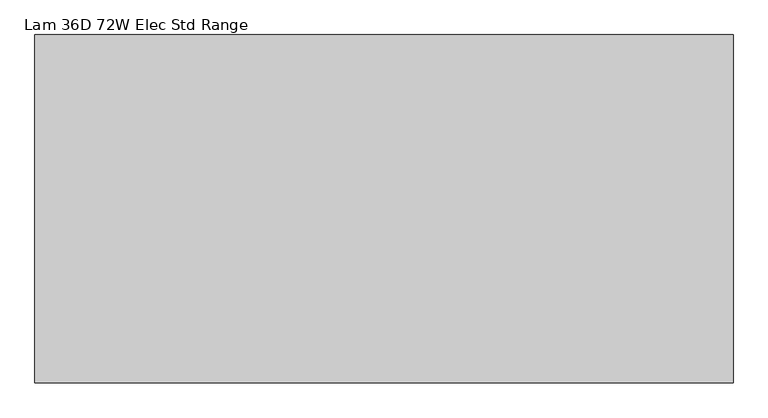
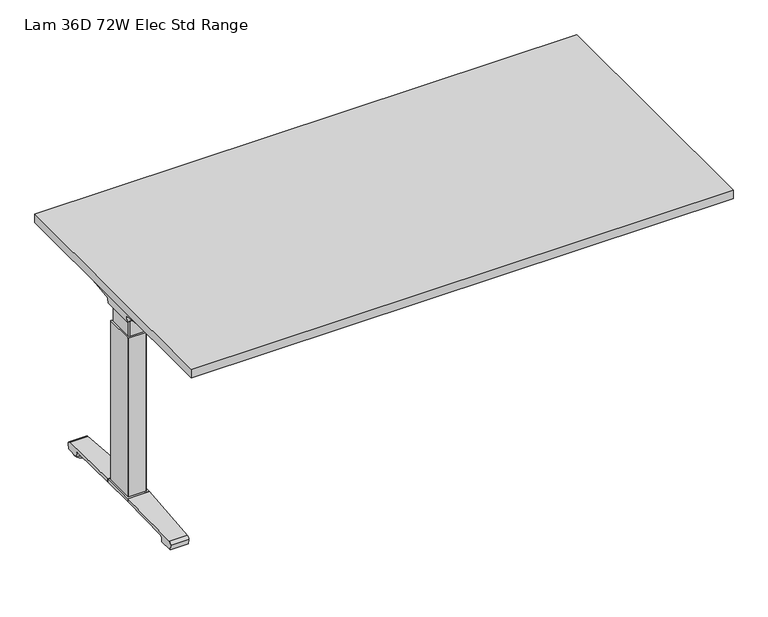
"""IFC4 building model written with IfcOpenShell, lengths in millimetres: furniture geometry, Lam 36D 72W Elec Std Range."""

from ifc_helpers import new_model, si_unit, point, frame, frame_2d, origin, place, context, project, spatial, polyline, circle_curve, ellipse_curve, trimmed, segment, composite_curve, outline, extrude, source, transform, mapped, element, save
from ifc_brep_helpers import plane_surface, cylinder_surface, revolved_surface, advanced_brep


def lam_36d_72w_elec_std_range_0a43d721(model_context):
    return source(origin(), model_context, "Body", "SolidModel", [
        extrude(outline(polyline([(887.476, 442.976), (887.476, -442.976), (-887.476, -442.976), (-887.476, 442.976), (887.476, 442.976)])), frame((0.0, 0.0, 707.009), z_axis=(0.0, 0.0, 1.0), x_axis=(1.0, 0.0, 0.0)), (0.0, 0.0, 1.0), 29.591),
        advanced_brep(
        [(-871.1406297, 53.5092702, 658.5915733), (-705.4122138, 53.5092702, 658.5915733), (-719.7924181, 51.2808169, 655.9442785), (-868.6518591, 51.2808169, 655.9442785), (-871.3625278, 53.518256, 658.8276054), (-873.7619089, 54.1622827, 675.7443054), (-690.9773962, 54.1622827, 675.7443054), (-690.9773962, 53.8142965, 666.6037253), (-693.8075093, 53.7331058, 664.4710821), (-693.9501644, 53.6554397, 662.4310191), (-874.6185362, 59.6293181, 681.7839076), (-690.9773962, 59.6293181, 681.7839076), (-877.1393767, 174.2005225, 699.5569507), (-812.9243442, 174.2005225, 699.5569507), (-690.9773962, 93.3958, 687.0219877), (-877.2128152, 177.9765275, 700.0747243), (-818.6229255, 177.9765275, 700.0747243), (-877.8871296, 179.4867839, 704.8289399), (-876.1021288, 176.9098888, 707.009), (-817.0132011, 176.9098888, 707.009), (-877.8871296, -179.4867839, 704.8289399), (-877.2128152, -177.9765275, 700.0747243), (-818.6229255, -177.9765275, 700.0747243), (-817.0132011, -176.9098888, 707.009), (-876.1021288, -176.9098888, 707.009), (-877.1393767, -174.2005225, 699.5569507), (-812.9243442, -174.2005225, 699.5569507), (-874.6185362, -59.6293181, 681.7839076), (-690.9773962, -59.6293181, 681.7839076), (-690.9773962, -93.3958, 687.0219877), (-873.7619089, -54.1622827, 675.7443054), (-690.9773962, -54.1622827, 675.7443054), (-871.3625278, -53.518256, 658.8276054), (-871.1406297, -53.5092702, 658.5915733), (-705.4122138, -53.5092702, 658.5915733), (-693.9501644, -53.6554397, 662.4310191), (-693.8075093, -53.7331058, 664.4710821), (-690.9773962, -53.8142965, 666.6037253), (-868.6518591, -51.2808169, 655.9442785), (-719.7924181, -51.2808169, 655.9442785), (-690.9773962, -93.3958, 707.009), (-690.9773962, 93.3958, 707.009)],
        [
            (0, 1),
            (1, 2, ellipse_curve(frame((-729.6936465, 130.5470009, 750.1086722), z_axis=(0.0, 0.7650318638532662, -0.6439924279750482), x_axis=(0.0, 0.6439924279750482, 0.7650318638532662)), 123.7641411, 94.6835116)),
            (2, 3),
            (3, 0),
            (0, 4),
            (4, 5),
            (5, 6),
            (6, 7),
            (7, 8),
            (8, 9),
            (9, 1, ellipse_curve(frame((-729.6936465, 56.9933686, 750.1086722), z_axis=(0.0, 0.999276106683639, -0.03804290487316255), x_axis=(0.0, 0.03804290487316397, 0.999276106683639)), 94.752102, 94.6835116)),
            (5, 10, ellipse_curve(frame((-873.7119691, 60.6208409, 675.3922075), z_axis=(-0.990090671484964, 0.0, -0.14042956326377007), x_axis=(-0.1404295632637696, 0.0, 0.990090671484964)), 6.5328852, 6.4681487)),
            (10, 11),
            (11, 6, circle_curve(frame((-690.9773962, 60.6208409, 675.3922075), z_axis=(1.0, 0.0, 0.0), x_axis=(0.0, 1.0, 0.0)), 6.4681487)),
            (10, 12),
            (12, 13),
            (13, 14),
            (14, 11),
            (12, 15),
            (15, 16),
            (16, 13),
            (15, 17, ellipse_curve(frame((-877.6730772, 175.9994111, 703.3197755), z_axis=(0.990090671484964, 0.0, 0.14042956326377007), x_axis=(0.1404295632637696, 0.0, -0.990090671484964)), 3.8379455, 3.7999141)),
            (17, 18, ellipse_curve(frame((-879.122811, 175.9994111, 703.3197755), z_axis=(0.7737284588433301, 0.0, -0.6335173809580328), x_axis=(0.6335173809580328, 0.0, 0.77372845884333)), 4.9111727, 3.7999141)),
            (18, 19),
            (19, 16, ellipse_curve(frame((-815.639148, 175.9994111, 703.3197755), z_axis=(-0.5523637579768195, -0.8336031902972334, 0.0), x_axis=(0.8336031902972335, -0.5523637579768195, 0.0)), 6.8793689, 3.7999141)),
            (20, 21, ellipse_curve(frame((-877.6730772, -175.9994111, 703.3197755), z_axis=(0.990090671484964, 0.0, 0.14042956326377007), x_axis=(0.1404295632637696, 0.0, -0.990090671484964)), 3.8379455, 3.7999141)),
            (21, 22),
            (22, 23, ellipse_curve(frame((-815.639148, -175.9994111, 703.3197755), z_axis=(-0.5523637579750433, 0.8336031902984103, 0.0), x_axis=(0.8336031902984103, 0.5523637579750433, 0.0)), 6.8793689, 3.7999141)),
            (23, 24),
            (24, 20, ellipse_curve(frame((-879.122811, -175.9994111, 703.3197755), z_axis=(0.7737284588433301, 0.0, -0.6335173809580328), x_axis=(0.6335173809580328, 0.0, 0.77372845884333)), 4.9111727, 3.7999141)),
            (21, 25),
            (25, 26),
            (26, 22),
            (27, 28),
            (28, 29),
            (29, 26),
            (25, 27),
            (27, 30, ellipse_curve(frame((-873.7119691, -60.6208409, 675.3922075), z_axis=(-0.990090671484964, 0.0, -0.14042956326377007), x_axis=(-0.1404295632637696, 0.0, 0.990090671484964)), 6.5328852, 6.4681487)),
            (30, 31),
            (31, 28, circle_curve(frame((-690.9773962, -60.6208409, 675.3922075), z_axis=(1.0, 0.0, 0.0), x_axis=(0.0, 1.0, 0.0)), 6.4681487)),
            (30, 32),
            (32, 33),
            (33, 34),
            (34, 35, ellipse_curve(frame((-729.6936465, -56.9933686, 750.1086722), z_axis=(0.0, -0.9992761066836363, -0.03804290487323539), x_axis=(0.0, 0.03804290487323121, -0.9992761066836364)), 94.752102, 94.6835116)),
            (35, 36),
            (36, 37),
            (37, 31),
            (33, 38),
            (38, 39),
            (39, 34, ellipse_curve(frame((-729.6936465, -130.5470009, 750.1086722), z_axis=(0.0, -0.7650318638534733, -0.643992427974802), x_axis=(0.0, 0.643992427974802, -0.7650318638534732)), 123.7641411, 94.6835116)),
            (4, 32),
            (20, 17),
            (24, 18),
            (23, 40),
            (40, 41),
            (41, 19),
            (37, 7),
            (14, 41),
            (40, 29),
            (36, 8),
            (35, 9),
            (39, 2),
            (38, 3),
        ],
        [
            plane_surface(frame((-894.1773962, 51.2808169, 655.9442785), z_axis=(0.0, 0.7650318638532662, -0.6439924279750482), x_axis=(1.0, 0.0, 0.0))),
            plane_surface(frame((-894.1773962, 53.5092702, 658.5915733), z_axis=(0.0, 0.999276106683639, -0.03804290487316255), x_axis=(1.0, 0.0, 0.0))),
            revolved_surface(polyline([(-874.6293793154883, 67.08898959999999, 675.3922075), (-690.9773962, 67.08898959999999, 675.3922075)]), (-894.1773962, 60.6208409, 675.3922075), (-1.0, 0.0, 0.0)),
            plane_surface(frame((-894.1773962, 59.6293181, 681.7839076), z_axis=(0.0, 0.153293135871396, -0.9881807600306302), x_axis=(1.0, 0.0, 0.0))),
            plane_surface(frame((-894.1773962, 174.2005225, 699.5569507), z_axis=(0.0, 0.13585085469026903, -0.9907292996979162), x_axis=(1.0, 0.0, 0.0))),
            cylinder_surface(frame((-894.1773962, 175.9994111, 703.3197755), z_axis=(1.0, 0.0, 0.0), x_axis=(0.0, 1.0, 0.0)), 3.7999141),
            cylinder_surface(frame((-894.1773962, -175.9994111, 703.3197755), z_axis=(1.0, 0.0, 0.0), x_axis=(0.0, 1.0, 0.0)), 3.7999141),
            plane_surface(frame((-894.1773962, -177.9765275, 700.0747243), z_axis=(0.0, -0.13585085468791205, -0.9907292996982394), x_axis=(1.0, 0.0, 0.0))),
            plane_surface(frame((-894.1773962, -174.2005225, 699.5569507), z_axis=(0.0, -0.1532931358714066, -0.9881807600306285), x_axis=(1.0, 0.0, 0.0))),
            revolved_surface(polyline([(-874.6293793154883, -54.1526922, 675.3922075), (-690.9773962, -54.1526922, 675.3922075)]), (-894.1773962, -60.6208409, 675.3922075), (-1.0, 0.0, 0.0)),
            plane_surface(frame((-894.1773962, -54.1622827, 675.7443054), z_axis=(0.0, -0.9992761066836363, -0.03804290487323539), x_axis=(1.0, 0.0, 0.0))),
            plane_surface(frame((-894.1773962, -53.5092702, 658.5915733), z_axis=(0.0, -0.7650318638534733, -0.643992427974802), x_axis=(1.0, 0.0, 0.0))),
            plane_surface(frame((-871.3625278, 190.5, 658.8276054), z_axis=(-0.990090671484964, 0.0, -0.14042956326377007), x_axis=(0.0, -1.0, 0.0))),
            plane_surface(frame((-877.8871296, 190.5, 704.8289399), z_axis=(-0.7737284588433301, 0.0, 0.6335173809580328), x_axis=(0.0, -1.0, 0.0))),
            plane_surface(frame((-876.1021288, 190.5, 707.009), z_axis=(0.0, 0.0, 1.0), x_axis=(0.0, -1.0, 0.0))),
            plane_surface(frame((-690.9773962, 190.5, 707.009), z_axis=(1.0, 0.0, 0.0), x_axis=(0.0, -1.0, 0.0))),
            plane_surface(frame((-690.9773962, 190.5, 666.6037253), z_axis=(0.6018150231516275, 0.0, -0.7986355100476099), x_axis=(0.0, -1.0, 0.0))),
            plane_surface(frame((-693.8075093, 190.5, 664.4710821), z_axis=(0.9975640502600351, 0.0, -0.06975647374110874), x_axis=(0.0, -1.0, 0.0))),
            cylinder_surface(frame((-729.6936465, 190.5, 750.1086722), z_axis=(0.0, 1.0, 0.0), x_axis=(1.0, 0.0, 0.0)), 94.6835116),
            plane_surface(frame((-719.7924181, 190.5, 655.9442785), z_axis=(0.0, 0.0, -1.0), x_axis=(0.0, -1.0, 0.0))),
            plane_surface(frame((-868.6518591, 190.5, 655.9442785), z_axis=(-0.728584606419653, 0.0, -0.6849558170337118), x_axis=(0.0, -1.0, 0.0))),
            plane_surface(frame((-837.5228017, 190.5, 707.009), z_axis=(0.5523637579768195, 0.8336031902972334, 0.0), x_axis=(0.0, 0.0, -1.0))),
            plane_surface(frame((-690.9773962, -93.3958, 707.009), z_axis=(0.5523637579750433, -0.8336031902984103, 0.0), x_axis=(0.0, 0.0, -1.0))),
        ],
        [
            (0, [[1, 2, 3, 4]]),
            (1, [[-1, 5, 6, 7, 8, 9, 10, 11]]),
            (2, [[-7, 12, 13, 14]]),
            (3, [[-13, 15, 16, 17, 18]]),
            (4, [[19, 20, 21, -16]]),
            (5, [[22, 23, 24, 25, -20]]),
            (6, [[26, 27, 28, 29, 30]]),
            (7, [[31, 32, 33, -27]]),
            (8, [[34, 35, 36, -32, 37]]),
            (9, [[-34, 38, 39, 40]]),
            (10, [[-39, 41, 42, 43, 44, 45, 46, 47]]),
            (11, [[-43, 48, 49, 50]]),
            (12, [[51, -41, -38, -37, -31, -26, 52, -22, -19, -15, -12, -6]]),
            (13, [[-52, -30, 53, -23]]),
            (14, [[-53, -29, 54, 55, 56, -24]]),
            (15, [[57, -8, -14, -18, 58, -55, 59, -35, -40, -47]]),
            (16, [[-57, -46, 60, -9]]),
            (17, [[-60, -45, 61, -10]]),
            (18, [[-61, -44, -50, 62, -2, -11]]),
            (19, [[-62, -49, 63, -3]]),
            (20, [[-51, -5, -4, -63, -48, -42]]),
            (21, [[-56, -58, -17, -21, -25]]),
            (22, [[-54, -28, -33, -36, -59]]),
        ],
    ),
        advanced_brep(
        [(705.4122138, 53.5092702, 658.5915733), (871.1406297, 53.5092702, 658.5915733), (868.6518591, 51.2808169, 655.9442785), (719.7924181, 51.2808169, 655.9442785), (693.9501644, 53.6554397, 662.4310191), (693.8075093, 53.7331058, 664.4710821), (691.1619573, 53.8090018, 666.4646485), (691.1619573, 54.1622827, 675.7443054), (873.7619089, 54.1622827, 675.7443054), (871.3625278, 53.518256, 658.8276054), (691.1619573, 59.6293181, 681.7839076), (874.6185362, 59.6293181, 681.7839076), (691.1619573, 93.3889953, 687.0209321), (812.9570453, 174.2005225, 699.5569507), (877.1393767, 174.2005225, 699.5569507), (877.2128152, 177.9765275, 700.0747243), (818.6480509, 177.9765275, 700.0747243), (877.8871296, 179.4867839, 704.8289399), (817.0404665, 176.9098888, 707.009), (876.1021288, 176.9098888, 707.009), (877.2128152, -177.9765275, 700.0747243), (877.8871296, -179.4867839, 704.8289399), (876.1021288, -176.9098888, 707.009), (817.0404665, -176.9098888, 707.009), (818.6480509, -177.9765275, 700.0747243), (877.1393767, -174.2005225, 699.5569507), (812.9570453, -174.2005225, 699.5569507), (691.1619573, -59.6293181, 681.7839076), (874.6185362, -59.6293181, 681.7839076), (691.1619573, -93.3889953, 687.0209321), (691.1619573, -54.1622827, 675.7443054), (873.7619089, -54.1622827, 675.7443054), (691.1619573, -53.8090018, 666.4646485), (693.8075093, -53.7331058, 664.4710821), (693.9501644, -53.6554397, 662.4310191), (705.4122138, -53.5092702, 658.5915733), (871.1406297, -53.5092702, 658.5915733), (871.3625278, -53.518256, 658.8276054), (719.7924181, -51.2808169, 655.9442785), (868.6518591, -51.2808169, 655.9442785), (691.1619573, 93.3889953, 707.009), (691.1619573, -93.3889953, 707.009)],
        [
            (0, 1),
            (1, 2),
            (2, 3),
            (3, 0, ellipse_curve(frame((729.6936465, 130.5470009, 750.1086722), z_axis=(0.0, 0.7650318638532565, -0.6439924279750596), x_axis=(0.0, -0.6439924279750596, -0.7650318638532564)), 123.7641411, 94.6835116)),
            (0, 4, ellipse_curve(frame((729.6936465, 56.9933686, 750.1086722), z_axis=(0.0, 0.9992761066836392, -0.03804290487315862), x_axis=(0.0, -0.03804290487315623, -0.9992761066836393)), 94.752102, 94.6835116)),
            (4, 5),
            (5, 6),
            (6, 7),
            (7, 8),
            (8, 9),
            (9, 1),
            (7, 10, circle_curve(frame((691.1619573, 60.6208409, 675.3922075), z_axis=(-1.0, 0.0, 0.0), x_axis=(0.0, 1.0, 0.0)), 6.4681487)),
            (10, 11),
            (11, 8, ellipse_curve(frame((873.7119691, 60.6208409, 675.3922075), z_axis=(0.9900906714849659, 0.0, -0.1404295632637567), x_axis=(-0.1404295632637562, 0.0, -0.9900906714849659)), 6.5328852, 6.4681487)),
            (10, 12),
            (12, 13),
            (13, 14),
            (14, 11),
            (15, 14),
            (13, 16),
            (16, 15),
            (17, 15, ellipse_curve(frame((877.6730772, 175.9994111, 703.3197755), z_axis=(-0.9900906714849659, 0.0, 0.1404295632637567), x_axis=(0.1404295632637562, 0.0, 0.9900906714849659)), 3.8379455, 3.7999141)),
            (16, 18, ellipse_curve(frame((815.66824, 175.9994111, 703.3197755), z_axis=(0.5528743936295495, -0.8332646067539158, 0.0), x_axis=(0.8332646067539158, 0.5528743936295495, 0.0)), 6.8730151, 3.7999141)),
            (18, 19),
            (19, 17, ellipse_curve(frame((879.122811, 175.9994111, 703.3197755), z_axis=(-0.7737284588399557, 0.0, -0.633517380962154), x_axis=(0.6335173809621538, 0.0, -0.7737284588399556)), 4.9111727, 3.7999141)),
            (20, 21, ellipse_curve(frame((877.6730772, -175.9994111, 703.3197755), z_axis=(-0.9900906714849659, 0.0, 0.1404295632637567), x_axis=(0.1404295632637562, 0.0, 0.9900906714849659)), 3.8379455, 3.7999141)),
            (21, 22, ellipse_curve(frame((879.122811, -175.9994111, 703.3197755), z_axis=(-0.7737284588399557, 0.0, -0.633517380962154), x_axis=(0.6335173809621538, 0.0, -0.7737284588399556)), 4.9111727, 3.7999141)),
            (22, 23),
            (23, 24, ellipse_curve(frame((815.66824, -175.9994111, 703.3197755), z_axis=(0.5528743936295355, 0.8332646067539252, 0.0), x_axis=(0.8332646067539251, -0.5528743936295356, 0.0)), 6.8730151, 3.7999141)),
            (24, 20),
            (25, 20),
            (24, 26),
            (26, 25),
            (27, 28),
            (28, 25),
            (26, 29),
            (29, 27),
            (27, 30, circle_curve(frame((691.1619573, -60.6208409, 675.3922075), z_axis=(-1.0, 0.0, 0.0), x_axis=(0.0, 1.0, 0.0)), 6.4681487)),
            (30, 31),
            (31, 28, ellipse_curve(frame((873.7119691, -60.6208409, 675.3922075), z_axis=(0.9900906714849659, 0.0, -0.1404295632637567), x_axis=(-0.1404295632637562, 0.0, -0.9900906714849659)), 6.5328852, 6.4681487)),
            (30, 32),
            (32, 33),
            (33, 34),
            (34, 35, ellipse_curve(frame((729.6936465, -56.9933686, 750.1086722), z_axis=(0.0, -0.9992761066836363, -0.03804290487323539), x_axis=(0.0, -0.03804290487323121, 0.9992761066836364)), 94.752102, 94.6835116)),
            (35, 36),
            (36, 37),
            (37, 31),
            (35, 38, ellipse_curve(frame((729.6936465, -130.5470009, 750.1086722), z_axis=(0.0, -0.7650318638534733, -0.643992427974802), x_axis=(0.0, -0.643992427974802, 0.7650318638534732)), 123.7641411, 94.6835116)),
            (38, 39),
            (39, 36),
            (37, 9),
            (17, 21),
            (19, 22),
            (18, 40),
            (40, 41),
            (41, 23),
            (6, 32),
            (29, 41),
            (40, 12),
            (5, 33),
            (4, 34),
            (3, 38),
            (2, 39),
        ],
        [
            plane_surface(frame((691.1619573, 51.2808169, 655.9442785), z_axis=(0.0, 0.7650318638532565, -0.6439924279750596), x_axis=(1.0, 0.0, 0.0))),
            plane_surface(frame((691.1619573, 53.5092702, 658.5915733), z_axis=(0.0, 0.9992761066836392, -0.03804290487315862), x_axis=(1.0, 0.0, 0.0))),
            revolved_surface(polyline([(691.1619573, 67.08898959999999, 675.3922075), (874.6293793154882, 67.08898959999999, 675.3922075)]), (691.1619573, 60.6208409, 675.3922075), (-1.0, 0.0, 0.0)),
            plane_surface(frame((691.1619573, 59.6293181, 681.7839076), z_axis=(0.0, 0.15329313587140309, -0.988180760030629), x_axis=(1.0, 0.0, 0.0))),
            plane_surface(frame((691.1619573, 174.2005225, 699.5569507), z_axis=(0.0, 0.1358508546900816, -0.9907292996979419), x_axis=(1.0, 0.0, 0.0))),
            cylinder_surface(frame((691.1619573, 175.9994111, 703.3197755), z_axis=(1.0, 0.0, 0.0), x_axis=(0.0, 1.0, 0.0)), 3.7999141),
            cylinder_surface(frame((691.1619573, -175.9994111, 703.3197755), z_axis=(1.0, 0.0, 0.0), x_axis=(0.0, 1.0, 0.0)), 3.7999141),
            plane_surface(frame((691.1619573, -177.9765275, 700.0747243), z_axis=(0.0, -0.1358508546877776, -0.9907292996982578), x_axis=(1.0, 0.0, 0.0))),
            plane_surface(frame((691.1619573, -174.2005225, 699.5569507), z_axis=(0.0, -0.15329313587141113, -0.9881807600306277), x_axis=(1.0, 0.0, 0.0))),
            revolved_surface(polyline([(691.1619573, -54.1526922, 675.3922075), (874.6293793154882, -54.1526922, 675.3922075)]), (691.1619573, -60.6208409, 675.3922075), (-1.0, 0.0, 0.0)),
            plane_surface(frame((691.1619573, -54.1622827, 675.7443054), z_axis=(0.0, -0.9992761066836363, -0.03804290487323539), x_axis=(1.0, 0.0, 0.0))),
            plane_surface(frame((691.1619573, -53.5092702, 658.5915733), z_axis=(0.0, -0.7650318638534733, -0.643992427974802), x_axis=(1.0, 0.0, 0.0))),
            plane_surface(frame((871.3625278, -190.5, 658.8276054), z_axis=(0.9900906714849659, 0.0, -0.1404295632637567), x_axis=(0.0, 1.0, 0.0))),
            plane_surface(frame((877.8871296, -190.5, 704.8289399), z_axis=(0.7737284588399557, 0.0, 0.633517380962154), x_axis=(0.0, 1.0, 0.0))),
            plane_surface(frame((876.1021288, -190.5, 707.009), z_axis=(0.0, 0.0, 1.0), x_axis=(0.0, 1.0, 0.0))),
            plane_surface(frame((691.1619573, -190.5, 707.009), z_axis=(-1.0, 0.0, 0.0), x_axis=(0.0, 1.0, 0.0))),
            plane_surface(frame((691.1619573, -190.5, 666.4646485), z_axis=(-0.6018150231540924, 0.0, -0.7986355100457526), x_axis=(0.0, 1.0, 0.0))),
            plane_surface(frame((693.8075093, -190.5, 664.4710821), z_axis=(-0.9975640502598242, 0.0, -0.06975647374412697), x_axis=(0.0, 1.0, 0.0))),
            cylinder_surface(frame((729.6936465, -190.5, 750.1086722), z_axis=(0.0, -1.0, 0.0), x_axis=(-1.0, 0.0, 0.0)), 94.6835116),
            plane_surface(frame((719.7924181, -190.5, 655.9442785), z_axis=(0.0, 0.0, -1.0), x_axis=(0.0, 1.0, 0.0))),
            plane_surface(frame((868.6518591, -190.5, 655.9442785), z_axis=(0.7285846064222525, 0.0, -0.6849558170309465), x_axis=(0.0, 1.0, 0.0))),
            plane_surface(frame((691.1619573, 93.3889953, 707.009), z_axis=(-0.5528743936295495, 0.8332646067539158, 0.0), x_axis=(0.0, 0.0, -1.0))),
            plane_surface(frame((837.5228017, -190.5, 707.009), z_axis=(-0.5528743936295355, -0.8332646067539252, 0.0), x_axis=(0.0, 0.0, -1.0))),
        ],
        [
            (0, [[1, 2, 3, 4]]),
            (1, [[-1, 5, 6, 7, 8, 9, 10, 11]]),
            (2, [[-9, 12, 13, 14]]),
            (3, [[-13, 15, 16, 17, 18]]),
            (4, [[19, -17, 20, 21]]),
            (5, [[22, -21, 23, 24, 25]]),
            (6, [[26, 27, 28, 29, 30]]),
            (7, [[31, -30, 32, 33]]),
            (8, [[34, 35, -33, 36, 37]]),
            (9, [[-34, 38, 39, 40]]),
            (10, [[-39, 41, 42, 43, 44, 45, 46, 47]]),
            (11, [[-45, 48, 49, 50]]),
            (12, [[51, -10, -14, -18, -19, -22, 52, -26, -31, -35, -40, -47]]),
            (13, [[-52, -25, 53, -27]]),
            (14, [[-53, -24, 54, 55, 56, -28]]),
            (15, [[57, -41, -38, -37, 58, -55, 59, -15, -12, -8]]),
            (16, [[-57, -7, 60, -42]]),
            (17, [[-60, -6, 61, -43]]),
            (18, [[-61, -5, -4, 62, -48, -44]]),
            (19, [[-62, -3, 63, -49]]),
            (20, [[-51, -46, -50, -63, -2, -11]]),
            (21, [[-54, -23, -20, -16, -59]]),
            (22, [[-56, -58, -36, -32, -29]]),
        ],
    ),
        advanced_brep(
        [(-690.9773962, 78.6831697, 701.7794894), (-690.9773962, 80.4475242, 704.0075511), (-690.9773962, 91.4281225, 704.0075511), (-690.9773962, 92.1582919, 701.4093085), (-690.9773962, 70.7319108, 671.8462148), (-690.9773962, 53.3310914, 663.2452863), (-690.9773962, -53.4567844, 663.2452863), (-690.9773962, -71.0845783, 672.2997482), (-690.9773962, -92.4192862, 702.0706054), (-690.9773962, -90.7807234, 704.1266572), (-690.9773962, -80.5655902, 704.1266572), (-690.9773962, -78.6946152, 701.7794894), (-690.9773962, -79.4358363, 701.2423822), (-690.9773962, -81.0060637, 703.2122572), (-690.9773962, -90.6846762, 703.2122572), (-690.9773962, -91.4905649, 702.3444366), (-690.9773962, -70.3413256, 672.8323858), (-690.9773962, -53.4567844, 664.1598536), (-690.9773962, 53.3310914, 664.1596863), (-690.9773962, 69.99844, 672.3923713), (-690.9773962, 91.3521627, 701.8552144), (-690.9773962, 91.0948942, 703.0931511), (-690.9773962, 80.889809, 703.0931511), (-690.9773962, 79.4242719, 701.2424419), (691.1619573, 78.6831697, 701.7794894), (691.1619573, 79.4242719, 701.2424419), (691.1619573, 80.889809, 703.0931511), (691.1619573, 91.0948942, 703.0931511), (691.1619573, 91.3521627, 701.8552144), (691.1619573, 69.99844, 672.3923713), (691.1619573, 53.3310914, 664.1596863), (691.1619573, -53.4567845, 664.1596863), (691.1619573, -70.3413256, 672.8323858), (691.1619573, -91.4905649, 702.3444366), (691.1619573, -90.6846762, 703.2122572), (691.1619573, -81.0060637, 703.2122572), (691.1619573, -79.4358363, 701.2423822), (691.1619573, -78.6946152, 701.7794894), (691.1619573, -80.5655902, 704.1266572), (691.1619573, -90.7807234, 704.1266572), (691.1619573, -92.4192862, 702.0706054), (691.1619573, -71.0845783, 672.2997482), (691.1619573, -53.4567844, 663.2454536), (691.1619573, 53.3310914, 663.2452863), (691.1619573, 70.7319108, 671.8462148), (691.1619573, 92.1582919, 701.4093085), (691.1619573, 91.4281225, 704.0075511), (691.1619573, 80.4475242, 704.0075511)],
        [
            (0, 1),
            (1, 2),
            (2, 3, circle_curve(frame((-690.9773962, 90.2105576, 702.2636667), z_axis=(-1.0, 0.0, 0.0), x_axis=(0.0, 1.0, 0.0)), 2.1268749)),
            (3, 4),
            (4, 5, circle_curve(frame((-690.9773962, 53.3310914, 685.1478336), z_axis=(-1.0, 0.0, 0.0), x_axis=(0.0, 1.0, 0.0)), 21.9025472)),
            (5, 6),
            (6, 7, circle_curve(frame((-690.9773962, -53.4567844, 684.932365), z_axis=(-1.0, 0.0, 0.0), x_axis=(0.0, 1.0, 0.0)), 21.6869114)),
            (7, 8),
            (8, 9, circle_curve(frame((-690.9773962, -90.4189365, 702.1573833), z_axis=(-1.0, 0.0, 0.0), x_axis=(0.0, 1.0, 0.0)), 2.0022311)),
            (9, 10),
            (10, 11),
            (11, 12),
            (12, 13),
            (13, 14),
            (14, 15, circle_curve(frame((-690.9773962, -90.4189365, 702.1573833), z_axis=(1.0, 0.0, 0.0), x_axis=(0.0, 1.0, 0.0)), 1.0878311)),
            (15, 16),
            (16, 17, circle_curve(frame((-690.9773962, -53.4567844, 684.932365), z_axis=(1.0, 0.0, 0.0), x_axis=(0.0, 1.0, 0.0)), 20.7725114)),
            (17, 18),
            (18, 19, circle_curve(frame((-690.9773962, 53.3310914, 685.1478336), z_axis=(1.0, 0.0, 0.0), x_axis=(0.0, 1.0, 0.0)), 20.9881473)),
            (19, 20),
            (20, 21, circle_curve(frame((-690.9773962, 90.2105576, 702.2636667), z_axis=(1.0, 0.0, 0.0), x_axis=(0.0, 1.0, 0.0)), 1.2124749)),
            (21, 22),
            (22, 23),
            (23, 0),
            (24, 25),
            (25, 26),
            (26, 27),
            (27, 28, circle_curve(frame((691.1619573, 90.2105576, 702.2636667), z_axis=(-1.0, 0.0, 0.0), x_axis=(0.0, 1.0, 0.0)), 1.2124749)),
            (28, 29),
            (29, 30, circle_curve(frame((691.1619573, 53.3310914, 685.1478336), z_axis=(-1.0, 0.0, 0.0), x_axis=(0.0, 1.0, 0.0)), 20.9881473)),
            (30, 31),
            (31, 32, circle_curve(frame((691.1619573, -53.4567844, 684.932365), z_axis=(-1.0, 0.0, 0.0), x_axis=(0.0, 1.0, 0.0)), 20.7725114)),
            (32, 33),
            (33, 34, circle_curve(frame((691.1619573, -90.4189365, 702.1573833), z_axis=(-1.0, 0.0, 0.0), x_axis=(0.0, 1.0, 0.0)), 1.0878311)),
            (34, 35),
            (35, 36),
            (36, 37),
            (37, 38),
            (38, 39),
            (39, 40, circle_curve(frame((691.1619573, -90.4189365, 702.1573833), z_axis=(1.0, 0.0, 0.0), x_axis=(0.0, 1.0, 0.0)), 2.0022311)),
            (40, 41),
            (41, 42, circle_curve(frame((691.1619573, -53.4567844, 684.932365), z_axis=(1.0, 0.0, 0.0), x_axis=(0.0, 1.0, 0.0)), 21.6869114)),
            (42, 43),
            (43, 44, circle_curve(frame((691.1619573, 53.3310914, 685.1478336), z_axis=(1.0, 0.0, 0.0), x_axis=(0.0, 1.0, 0.0)), 21.9025472)),
            (44, 45),
            (45, 46, circle_curve(frame((691.1619573, 90.2105576, 702.2636667), z_axis=(1.0, 0.0, 0.0), x_axis=(0.0, 1.0, 0.0)), 2.1268749)),
            (46, 47),
            (47, 24),
            (0, 24),
            (47, 1),
            (46, 2),
            (45, 3),
            (44, 4),
            (43, 5),
            (42, 6),
            (41, 7),
            (40, 8),
            (39, 9),
            (38, 10),
            (37, 11),
            (36, 12),
            (35, 13),
            (34, 14),
            (33, 15),
            (32, 16),
            (31, 17),
            (30, 18),
            (29, 19),
            (28, 20),
            (27, 21),
            (26, 22),
            (25, 23),
        ],
        [
            plane_surface(frame((-690.9773962, 0.0, 707.009), z_axis=(-1.0, 0.0, 0.0), x_axis=(0.0, 0.0, 1.0))),
            plane_surface(frame((691.1619573, 0.0, 707.009), z_axis=(1.0, 0.0, 0.0), x_axis=(0.0, 0.0, 1.0))),
            plane_surface(frame((-690.9773962, 78.6831697, 701.7794894), z_axis=(0.0, -0.7839649337165058, 0.6208051084703434), x_axis=(1.0, 0.0, 0.0))),
            plane_surface(frame((-690.9773962, 80.4475242, 704.0075511), z_axis=(0.0, 0.0, 1.0), x_axis=(1.0, 0.0, 0.0))),
            cylinder_surface(frame((-690.9773962, 90.2105576, 702.2636667), z_axis=(-1.0, 0.0, 0.0), x_axis=(0.0, 1.0, 0.0)), 2.1268749),
            plane_surface(frame((-690.9773962, 92.1582919, 701.4093085), z_axis=(0.0, 0.8096997445281038, -0.586844377762217), x_axis=(1.0, 0.0, 0.0))),
            cylinder_surface(frame((-690.9773962, 53.3310914, 685.1478336), z_axis=(-1.0, 0.0, 0.0), x_axis=(0.0, 1.0, 0.0)), 21.9025472),
            plane_surface(frame((-690.9773962, 53.3310914, 663.2452863), z_axis=(0.0, 0.0, -1.0), x_axis=(1.0, 0.0, 0.0))),
            cylinder_surface(frame((-690.9773962, -53.4567844, 684.932365), z_axis=(-1.0, 0.0, 0.0), x_axis=(0.0, 1.0, 0.0)), 21.6869114),
            plane_surface(frame((-690.9773962, -71.0845783, 672.2997482), z_axis=(0.0, -0.8128309997561537, -0.5824995844079305), x_axis=(1.0, 0.0, 0.0))),
            cylinder_surface(frame((-690.9773962, -90.4189365, 702.1573833), z_axis=(-1.0, 0.0, 0.0), x_axis=(0.0, 1.0, 0.0)), 2.0022311),
            plane_surface(frame((-690.9773962, -90.7807234, 704.1266572), z_axis=(0.0, 0.0, 1.0), x_axis=(1.0, 0.0, 0.0))),
            plane_surface(frame((-690.9773962, -80.5655902, 704.1266572), z_axis=(0.0, 0.7819660587237972, 0.6233210112004657), x_axis=(1.0, 0.0, 0.0))),
            plane_surface(frame((-690.9773962, -78.6946152, 701.7794894), z_axis=(0.0, 0.5867684336468096, -0.8097547809526473), x_axis=(1.0, 0.0, 0.0))),
            plane_surface(frame((-690.9773962, -79.4358363, 701.2423822), z_axis=(0.0, -0.7819660587239206, -0.6233210112003109), x_axis=(1.0, 0.0, 0.0))),
            plane_surface(frame((-690.9773962, -81.0060637, 703.2122572), z_axis=(0.0, 0.0, -1.0), x_axis=(1.0, 0.0, 0.0))),
            revolved_surface(polyline([(691.1619573000002, -89.3311054, 702.1573833), (-690.9773962, -89.3311054, 702.1573833)]), (-690.9773962, -90.4189365, 702.1573833), (1.0, 0.0, 0.0)),
            plane_surface(frame((-690.9773962, -91.4905649, 702.3444366), z_axis=(0.0, 0.8128309996716102, 0.582499584525904), x_axis=(1.0, 0.0, 0.0))),
            revolved_surface(polyline([(691.1619573000002, -32.684273, 684.932365), (-690.9773962, -32.684273, 684.932365)]), (-690.9773962, -53.4567844, 684.932365), (1.0, 0.0, 0.0)),
            plane_surface(frame((-690.9773962, -53.4567845, 664.1596863), z_axis=(0.0, 0.0, 1.0), x_axis=(1.0, 0.0, 0.0))),
            revolved_surface(polyline([(691.1619573000002, 74.3192387, 685.1478336), (-690.9773962, 74.3192387, 685.1478336)]), (-690.9773962, 53.3310914, 685.1478336), (1.0, 0.0, 0.0)),
            plane_surface(frame((-690.9773962, 69.99844, 672.3923713), z_axis=(0.0, -0.8096997449536107, 0.5868443771751228), x_axis=(1.0, 0.0, 0.0))),
            revolved_surface(polyline([(691.1619573000002, 91.4230325, 702.2636667), (-690.9773962, 91.4230325, 702.2636667)]), (-690.9773962, 90.2105576, 702.2636667), (1.0, 0.0, 0.0)),
            plane_surface(frame((-690.9773962, 91.0948942, 703.0931511), z_axis=(0.0, 0.0, -1.0), x_axis=(1.0, 0.0, 0.0))),
            plane_surface(frame((-690.9773962, 80.889809, 703.0931511), z_axis=(0.0, 0.7839649337164979, -0.6208051084703533), x_axis=(1.0, 0.0, 0.0))),
            plane_surface(frame((-690.9773962, 79.4242719, 701.2424419), z_axis=(0.0, -0.5867873637752554, -0.8097410633737715), x_axis=(1.0, 0.0, 0.0))),
        ],
        [
            (0, [[1, 2, 3, 4, 5, 6, 7, 8, 9, 10, 11, 12, 13, 14, 15, 16, 17, 18, 19, 20, 21, 22, 23, 24]]),
            (1, [[25, 26, 27, 28, 29, 30, 31, 32, 33, 34, 35, 36, 37, 38, 39, 40, 41, 42, 43, 44, 45, 46, 47, 48]]),
            (2, [[-1, 49, -48, 50]]),
            (3, [[-2, -50, -47, 51]]),
            (4, [[-3, -51, -46, 52]]),
            (5, [[-4, -52, -45, 53]]),
            (6, [[-5, -53, -44, 54]]),
            (7, [[-6, -54, -43, 55]]),
            (8, [[-7, -55, -42, 56]]),
            (9, [[-8, -56, -41, 57]]),
            (10, [[-9, -57, -40, 58]]),
            (11, [[-10, -58, -39, 59]]),
            (12, [[-11, -59, -38, 60]]),
            (13, [[-12, -60, -37, 61]]),
            (14, [[-13, -61, -36, 62]]),
            (15, [[-14, -62, -35, 63]]),
            (16, [[-15, -63, -34, 64]]),
            (17, [[-16, -64, -33, 65]]),
            (18, [[-17, -65, -32, 66]]),
            (19, [[-18, -66, -31, 67]]),
            (20, [[-19, -67, -30, 68]]),
            (21, [[-20, -68, -29, 69]]),
            (22, [[-21, -69, -28, 70]]),
            (23, [[-22, -70, -27, 71]]),
            (24, [[-23, -71, -26, 72]]),
            (25, [[-24, -72, -25, -49]]),
        ],
    ),
        extrude(outline(composite_curve([segment(polyline([(-85.2357617, 705.3739712), (-93.5160102, 705.3739712), (-94.0273408, 704.3565876), (-71.001647, 672.4872047)]), True, "CONTINUOUS"), segment(trimmed(circle_curve(frame_2d((-52.8576186, 688.0741393)), 23.9198306), [point((-71.001647, 672.4872047))], [point((-52.8576186, 664.1543087))], True, "CARTESIAN"), True, "CONTINUOUS"), segment(polyline([(-52.8576186, 664.1543087), (160.8304611, 664.1543087)]), True, "CONTINUOUS"), segment(trimmed(circle_curve(frame_2d((161.6245677, 686.2522042)), 22.1121593), [point((160.8304611, 664.1543087))], [point((179.5297793, 673.2771903))], True, "CARTESIAN"), True, "CONTINUOUS"), segment(polyline([(179.5297793, 673.2771903), (201.4820672, 703.5708273), (202.2225039, 703.0342821), (180.2702102, 672.740637)]), True, "CONTINUOUS"), segment(trimmed(circle_curve(frame_2d((161.6245677, 686.2522042)), 23.0265593), [point((180.2702102, 672.740637))], [point((160.814203, 663.2399087))], False, "CARTESIAN"), True, "CONTINUOUS"), segment(polyline([(160.814203, 663.2399087), (-52.8576186, 663.2399087)]), True, "CONTINUOUS"), segment(trimmed(circle_curve(frame_2d((-52.8576186, 688.0741393)), 24.8342306), [point((-52.8576186, 663.2399087))], [point((-71.7205231, 671.9208163))], False, "CARTESIAN"), True, "CONTINUOUS"), segment(polyline([(-71.7205231, 671.9208163), (-95.0936869, 704.2711252), (-94.0798316, 706.2883712), (-84.9968781, 706.2883712), (-85.2357617, 705.3739712)]), True, "CONTINUOUS")], self_intersect=False)), frame((-690.9773962, 0.0, 0.0), z_axis=(1.0, 0.0, 0.0), x_axis=(0.0, 1.0, 0.0)), (0.0, 0.0, 1.0), 1382.1393535),
        advanced_brep(
        [(814.7283088, 44.7482497, 655.9442785), (811.9624028, 42.3950111, 655.9442785), (811.9624028, -42.3786142, 655.9442785), (815.0159671, -44.728013, 655.9442785), (858.3299922, -44.7482497, 655.9442785), (861.3895972, -42.3785064, 655.9442785), (861.3895972, 42.3950956, 655.9442785), (858.6236912, 44.7482497, 655.9442785), (814.7283088, 44.7482497, 599.0990785), (858.6236912, 44.7482497, 599.0990785), (861.3895972, 42.3950956, 599.0990785), (861.3895972, -42.3785064, 599.0990785), (858.3360098, -44.7280077, 599.0990785), (815.0220078, -44.7482497, 599.0990785), (811.9624028, -42.3786142, 599.0990785), (811.9624028, 42.3950111, 599.0990785)],
        [
            (0, 1, circle_curve(frame((815.0300788, 41.5914719, 655.9442785), z_axis=(0.0, 0.0, 1.0), x_axis=(1.0, 0.0, 0.0)), 3.1711688)),
            (1, 2),
            (2, 3, circle_curve(frame((815.0159671, -41.568922, 655.9442785), z_axis=(0.0, 0.0, 1.0), x_axis=(1.0, 0.0, 0.0)), 3.1590911)),
            (3, 4),
            (4, 5, circle_curve(frame((858.3360098, -41.568922, 655.9442785), z_axis=(0.0, 0.0, 1.0), x_axis=(1.0, 0.0, 0.0)), 3.1590858)),
            (5, 6),
            (6, 7, circle_curve(frame((858.3219439, 41.5914698, 655.9442785), z_axis=(0.0, 0.0, 1.0), x_axis=(1.0, 0.0, 0.0)), 3.1711687)),
            (7, 0),
            (8, 9),
            (9, 10, circle_curve(frame((858.3219439, 41.5914698, 599.0990785), z_axis=(0.0, 0.0, -1.0), x_axis=(1.0, 0.0, 0.0)), 3.1711687)),
            (10, 11),
            (11, 12, circle_curve(frame((858.3360098, -41.568922, 599.0990785), z_axis=(0.0, 0.0, -1.0), x_axis=(1.0, 0.0, 0.0)), 3.1590858)),
            (12, 13),
            (13, 14, circle_curve(frame((815.0159671, -41.568922, 599.0990785), z_axis=(0.0, 0.0, -1.0), x_axis=(1.0, 0.0, 0.0)), 3.1590911)),
            (14, 15),
            (15, 8, circle_curve(frame((815.0300788, 41.5914719, 599.0990785), z_axis=(0.0, 0.0, -1.0), x_axis=(1.0, 0.0, 0.0)), 3.1711688)),
            (7, 9),
            (8, 0),
            (6, 10),
            (5, 11),
            (4, 12),
            (3, 13),
            (2, 14),
            (1, 15),
        ],
        [
            plane_surface(frame((818.2012476, 41.5914719, 655.9442785), z_axis=(0.0, 0.0, 1.0), x_axis=(0.0, 1.0, 0.0))),
            plane_surface(frame((818.2012476, 41.5914719, 599.0990785), z_axis=(0.0, 0.0, -1.0), x_axis=(0.0, -1.0, 0.0))),
            plane_surface(frame((858.6236912, 44.7482497, 655.9442785), z_axis=(0.0, 1.0, 0.0), x_axis=(0.0, 0.0, -1.0))),
            cylinder_surface(frame((858.3219439, 41.5914698, 599.0990785), z_axis=(0.0, 0.0, 1.0), x_axis=(1.0, 0.0, 0.0)), 3.1711687),
            plane_surface(frame((861.3895972, -42.3785064, 655.9442785), z_axis=(1.0, 0.0, 0.0), x_axis=(0.0, 0.0, -1.0))),
            cylinder_surface(frame((858.3360098, -41.568922, 599.0990785), z_axis=(0.0, 0.0, 1.0), x_axis=(1.0, 0.0, 0.0)), 3.1590858),
            plane_surface(frame((815.0220078, -44.7482497, 655.9442785), z_axis=(0.0, -1.0, 0.0), x_axis=(0.0, 0.0, -1.0))),
            cylinder_surface(frame((815.0159671, -41.568922, 599.0990785), z_axis=(0.0, 0.0, 1.0), x_axis=(1.0, 0.0, 0.0)), 3.1590911),
            plane_surface(frame((811.9624028, 42.3950111, 655.9442785), z_axis=(-1.0, 0.0, 0.0), x_axis=(0.0, 0.0, -1.0))),
            cylinder_surface(frame((815.0300788, 41.5914719, 599.0990785), z_axis=(0.0, 0.0, 1.0), x_axis=(1.0, 0.0, 0.0)), 3.1711688),
        ],
        [
            (0, [[1, 2, 3, 4, 5, 6, 7, 8]]),
            (1, [[9, 10, 11, 12, 13, 14, 15, 16]]),
            (2, [[-8, 17, -9, 18]]),
            (3, [[-7, 19, -10, -17]]),
            (4, [[-6, 20, -11, -19]]),
            (5, [[-5, 21, -12, -20]]),
            (6, [[-4, 22, -13, -21]]),
            (7, [[-3, 23, -14, -22]]),
            (8, [[-2, 24, -15, -23]]),
            (9, [[-1, -18, -16, -24]]),
        ],
    ),
        advanced_brep(
        [(-814.7283088, 44.7482497, 655.9442785), (-858.6236912, 44.7482497, 655.9442785), (-861.3806448, 42.4285241, 655.9442785), (-861.3806448, -42.4115492, 655.9442785), (-858.3360098, -44.7280077, 655.9442785), (-815.0220078, -44.7482497, 655.9442785), (-811.9713552, -42.4116525, 655.9442785), (-811.9713552, 42.4284433, 655.9442785), (-814.7283088, 44.7482497, 599.0990785), (-811.9713552, 42.4284433, 599.0990785), (-811.9713552, -42.4116525, 599.0990785), (-815.0159671, -44.728013, 599.0990785), (-858.3299922, -44.7482497, 599.0990785), (-861.3806448, -42.4115492, 599.0990785), (-861.3806448, 42.4285241, 599.0990785), (-858.6236912, 44.7482497, 599.0990785)],
        [
            (0, 1),
            (1, 2, circle_curve(frame((-858.3219439, 41.5914698, 655.9442785), z_axis=(0.0, 0.0, 1.0), x_axis=(-1.0, 0.0, 0.0)), 3.1711687)),
            (2, 3),
            (3, 4, circle_curve(frame((-858.3360098, -41.568922, 655.9442785), z_axis=(0.0, 0.0, 1.0), x_axis=(-1.0, 0.0, 0.0)), 3.1590858)),
            (4, 5),
            (5, 6, circle_curve(frame((-815.0159671, -41.568922, 655.9442785), z_axis=(0.0, 0.0, 1.0), x_axis=(-1.0, 0.0, 0.0)), 3.1590911)),
            (6, 7),
            (7, 0, circle_curve(frame((-815.0300788, 41.5914719, 655.9442785), z_axis=(0.0, 0.0, 1.0), x_axis=(-1.0, 0.0, 0.0)), 3.1711688)),
            (8, 9, circle_curve(frame((-815.0300788, 41.5914719, 599.0990785), z_axis=(0.0, 0.0, -1.0), x_axis=(-1.0, 0.0, 0.0)), 3.1711688)),
            (9, 10),
            (10, 11, circle_curve(frame((-815.0159671, -41.568922, 599.0990785), z_axis=(0.0, 0.0, -1.0), x_axis=(-1.0, 0.0, 0.0)), 3.1590911)),
            (11, 12),
            (12, 13, circle_curve(frame((-858.3360098, -41.568922, 599.0990785), z_axis=(0.0, 0.0, -1.0), x_axis=(-1.0, 0.0, 0.0)), 3.1590858)),
            (13, 14),
            (14, 15, circle_curve(frame((-858.3219439, 41.5914698, 599.0990785), z_axis=(0.0, 0.0, -1.0), x_axis=(-1.0, 0.0, 0.0)), 3.1711687)),
            (15, 8),
            (0, 8),
            (15, 1),
            (14, 2),
            (13, 3),
            (12, 4),
            (11, 5),
            (10, 6),
            (9, 7),
        ],
        [
            plane_surface(frame((-858.6236912, 44.7482497, 655.9442785), z_axis=(0.0, 0.0, 1.0), x_axis=(-1.0, 0.0, 0.0))),
            plane_surface(frame((-858.6236912, 44.7482497, 599.0990785), z_axis=(0.0, 0.0, -1.0), x_axis=(1.0, 0.0, 0.0))),
            plane_surface(frame((-814.7283088, 44.7482497, 655.9442785), z_axis=(0.0, 1.0, 0.0), x_axis=(0.0, 0.0, -1.0))),
            cylinder_surface(frame((-858.3219439, 41.5914698, 599.0990785), z_axis=(0.0, 0.0, 1.0), x_axis=(-1.0, 0.0, 0.0)), 3.1711687),
            plane_surface(frame((-861.3806448, 42.4285241, 655.9442785), z_axis=(-1.0, 0.0, 0.0), x_axis=(0.0, 0.0, -1.0))),
            cylinder_surface(frame((-858.3360098, -41.568922, 599.0990785), z_axis=(0.0, 0.0, 1.0), x_axis=(-1.0, 0.0, 0.0)), 3.1590858),
            plane_surface(frame((-858.3299922, -44.7482497, 655.9442785), z_axis=(0.0, -1.0, 0.0), x_axis=(0.0, 0.0, -1.0))),
            cylinder_surface(frame((-815.0159671, -41.568922, 599.0990785), z_axis=(0.0, 0.0, 1.0), x_axis=(-1.0, 0.0, 0.0)), 3.1590911),
            plane_surface(frame((-811.9713552, -42.4116525, 655.9442785), z_axis=(1.0, 0.0, 0.0), x_axis=(0.0, 0.0, -1.0))),
            cylinder_surface(frame((-815.0300788, 41.5914719, 599.0990785), z_axis=(0.0, 0.0, 1.0), x_axis=(-1.0, 0.0, 0.0)), 3.1711688),
        ],
        [
            (0, [[1, 2, 3, 4, 5, 6, 7, 8]]),
            (1, [[9, 10, 11, 12, 13, 14, 15, 16]]),
            (2, [[-1, 17, -16, 18]]),
            (3, [[-2, -18, -15, 19]]),
            (4, [[-3, -19, -14, 20]]),
            (5, [[-4, -20, -13, 21]]),
            (6, [[-5, -21, -12, 22]]),
            (7, [[-6, -22, -11, 23]]),
            (8, [[-7, -23, -10, 24]]),
            (9, [[-8, -24, -9, -17]]),
        ],
    ),
        advanced_brep(
        [(-806.9924389, 290.195, 26.8186), (-806.8181972, 282.707527, 35.7787117), (-801.5452167, 56.1182127, 48.10013), (-801.5452167, 56.1182127, 38.9541198), (-805.7117218, 235.1603185, 29.0296138), (-805.8502998, 241.1152602, 22.833301), (-805.8763395, 242.2342309, 10.0434261), (-806.958806, 288.7497362, 10.041053), (-866.5334449, 282.707527, 35.7787117), (-866.3592032, 290.195, 26.8186), (-866.3928361, 288.7497362, 10.041053), (-867.4753026, 242.2342309, 10.0434261), (-867.5013423, 241.1152602, 22.833301), (-867.6399203, 235.1603185, 29.0296138), (-871.8064255, 56.1182044, 38.9541203), (-871.8064254, 56.1182127, 48.10013)],
        [
            (0, 1, ellipse_curve(frame((-806.8003579, 281.9409412, 27.5296273), z_axis=(0.9997293380967566, 0.023264792039066784, 0.0), x_axis=(0.02326479203906303, -0.9997293380967566, 0.0)), 8.2868701, 8.2846272)),
            (1, 2, ellipse_curve(frame((-770.3382026, -1284.9024809, -26702.7346621), z_axis=(0.9997293380967566, 0.023264792039066784, 0.0), x_axis=(0.02326479203906303, -0.9997293380967566, 0.0)), 26791.6779052, 26784.4264187)),
            (2, 3),
            (3, 4),
            (4, 5, ellipse_curve(frame((-805.6915381, 234.2929906, 22.2364289), z_axis=(-0.9997293380967566, -0.023264792039066784, 0.0), x_axis=(-0.02326479203906303, 0.9997293380967566, 0.0)), 6.8501837, 6.8483297)),
            (5, 6),
            (6, 7),
            (7, 0),
            (8, 9, ellipse_curve(frame((-866.5512842, 281.9409412, 27.5296273), z_axis=(-0.9997293380967589, 0.023264792038970257, 0.0), x_axis=(0.023264792038962333, 0.999729338096759, 0.0)), 8.2868701, 8.2846272)),
            (9, 10),
            (10, 11),
            (11, 12),
            (12, 13, ellipse_curve(frame((-867.660104, 234.2929906, 22.2364289), z_axis=(0.9997293380967589, -0.023264792038970257, 0.0), x_axis=(-0.023264792038962333, -0.999729338096759, 0.0)), 6.8501837, 6.8483297)),
            (13, 14),
            (14, 15),
            (15, 8, ellipse_curve(frame((-903.0134395, -1284.9024809, -26702.7346621), z_axis=(-0.9997293380967589, 0.023264792038970257, 0.0), x_axis=(0.023264792038962333, 0.999729338096759, 0.0)), 26791.6779052, 26784.4264187)),
            (0, 9),
            (8, 1),
            (7, 10),
            (6, 11),
            (5, 12),
            (4, 13),
            (3, 14),
            (2, 15),
        ],
        [
            plane_surface(frame((-807.0293817, 291.7825, 48.10013), z_axis=(0.9997293380967566, 0.023264792039066784, 0.0), x_axis=(0.0, 0.0, -1.0))),
            plane_surface(frame((-871.8064254, 56.1182127, 48.10013), z_axis=(-0.9997293380967589, 0.023264792038970257, 0.0), x_axis=(0.0, 0.0, -1.0))),
            cylinder_surface(frame((-871.8067833, 281.9409412, 27.5296273), z_axis=(1.0, 0.0, 0.0), x_axis=(0.0, 1.0, 0.0)), 8.2846272),
            plane_surface(frame((-801.5452167, 288.7497362, 10.041053), z_axis=(0.0, 0.996310236870443, -0.08582489095339331), x_axis=(-1.0, 0.0, 0.0))),
            plane_surface(frame((-801.5452167, 242.2342309, 10.0434261), z_axis=(0.0, -5.101798420219977e-05, -0.9999999986985827), x_axis=(-1.0, 0.0, 0.0))),
            plane_surface(frame((-801.5452167, 241.1152602, 22.833301), z_axis=(0.0, -0.996194687383787, -0.08715586514009757), x_axis=(-1.0, 0.0, 0.0))),
            revolved_surface(polyline([(-867.8194720992093, 241.1413203, 22.2364289), (-805.5321700007901, 241.1413203, 22.2364289)]), (-871.8067833, 234.2929906, 22.2364289), (-1.0, 0.0, 0.0)),
            plane_surface(frame((-801.5452167, 56.1182127, 38.9541198), z_axis=(0.0, -0.05534616539581981, -0.9984672262903669), x_axis=(-1.0, 0.0, 0.0))),
            plane_surface(frame((-801.5452167, 56.1182127, 48.10013), z_axis=(0.0, -1.0, 0.0), x_axis=(-1.0, 0.0, 0.0))),
            cylinder_surface(frame((-871.8067833, -1284.9024809, -26702.7346621), z_axis=(1.0, 0.0, 0.0), x_axis=(0.0, 1.0, 0.0)), 26784.4264187),
        ],
        [
            (0, [[1, 2, 3, 4, 5, 6, 7, 8]]),
            (1, [[9, 10, 11, 12, 13, 14, 15, 16]]),
            (2, [[17, -9, 18, -1]]),
            (3, [[-17, -8, 19, -10]]),
            (4, [[-19, -7, 20, -11]]),
            (5, [[-20, -6, 21, -12]]),
            (6, [[-21, -5, 22, -13]]),
            (7, [[23, -14, -22, -4]]),
            (8, [[-23, -3, 24, -15]]),
            (9, [[-24, -2, -18, -16]]),
        ],
    ),
        extrude(outline(polyline([(-801.5452167, 56.1182127), (-801.5452167, -56.1182127), (-871.8067833, -56.1182127), (-871.8067833, 56.1182127), (-801.5452167, 56.1182127)])), frame((0.0, 0.0, 38.9541198), z_axis=(0.0, 0.0, 1.0), x_axis=(1.0, 0.0, 0.0)), (0.0, 0.0, 1.0), 9.1460102),
        advanced_brep(
        [(-806.8181972, -282.707527, 35.7787117), (-866.5334449, -282.707527, 35.7787117), (-866.3592032, -290.195, 26.8186), (-806.9924389, -290.195, 26.8186), (-866.3928361, -288.7497362, 10.041053), (-806.958806, -288.7497362, 10.041053), (-867.4753026, -242.2342309, 10.0434261), (-805.8763395, -242.2342309, 10.0434261), (-867.5013423, -241.1152602, 22.833301), (-805.8502998, -241.1152602, 22.833301), (-867.6399203, -235.1603185, 29.0296138), (-805.7117218, -235.1603185, 29.0296138), (-871.8067833, -56.1182127, 38.9541198), (-801.5452167, -56.1182127, 38.9541198), (-871.8064254, -56.1182127, 48.10013), (-801.5452167, -56.1182127, 48.10013)],
        [
            (0, 1),
            (1, 2, ellipse_curve(frame((-866.5512842, -281.9409412, 27.5296273), z_axis=(0.9997293380967556, 0.023264792039108757, 0.0), x_axis=(0.023264792039106957, -0.9997293380967556, 0.0)), 8.2868701, 8.2846272)),
            (2, 3),
            (3, 0, ellipse_curve(frame((-806.8003579, -281.9409412, 27.5296273), z_axis=(-0.9997293380967575, 0.023264792039026604, 0.0), x_axis=(0.023264792039030056, 0.9997293380967575, 0.0)), 8.2868701, 8.2846272)),
            (2, 4),
            (4, 5),
            (5, 3),
            (4, 6),
            (6, 7),
            (7, 5),
            (6, 8),
            (8, 9),
            (9, 7),
            (8, 10, ellipse_curve(frame((-867.660104, -234.2929906, 22.2364289), z_axis=(-0.9997293380967556, -0.023264792039108757, 0.0), x_axis=(-0.023264792039106957, 0.9997293380967556, 0.0)), 6.8501837, 6.8483297)),
            (10, 11),
            (11, 9, ellipse_curve(frame((-805.6915381, -234.2929906, 22.2364289), z_axis=(0.9997293380967575, -0.023264792039026604, 0.0), x_axis=(-0.023264792039030056, -0.9997293380967575, 0.0)), 6.8501837, 6.8483297)),
            (12, 13),
            (13, 11),
            (10, 12),
            (12, 14),
            (14, 15),
            (15, 13),
            (14, 1, ellipse_curve(frame((-903.0134395, 1284.9024809, -26702.7346621), z_axis=(0.9997293380967556, 0.023264792039108757, 0.0), x_axis=(0.023264792039106957, -0.9997293380967556, 0.0)), 26791.6779052, 26784.4264186)),
            (0, 15, ellipse_curve(frame((-770.3382026, 1284.9024809, -26702.7346621), z_axis=(-0.9997293380967575, 0.023264792039026604, 0.0), x_axis=(0.023264792039030056, 0.9997293380967575, 0.0)), 26791.6779052, 26784.4264186)),
        ],
        [
            cylinder_surface(frame((-871.8067833, -281.9409412, 27.5296273), z_axis=(1.0, 0.0, 0.0), x_axis=(0.0, 1.0, 0.0)), 8.2846272),
            plane_surface(frame((-801.5452167, -290.195, 26.8186), z_axis=(0.0, -0.9963102368704919, -0.08582489095282467), x_axis=(-1.0, 0.0, 0.0))),
            plane_surface(frame((-801.5452167, -288.7497362, 10.041053), z_axis=(0.0, 5.10179839884542e-05, -0.9999999986985827), x_axis=(-1.0, 0.0, 0.0))),
            plane_surface(frame((-801.5452167, -242.2342309, 10.0434261), z_axis=(0.0, 0.9961946873837947, -0.08715586514001032), x_axis=(-1.0, 0.0, 0.0))),
            revolved_surface(polyline([(-867.8194720992102, -227.4446609, 22.2364289), (-805.5321700007903, -227.4446609, 22.2364289)]), (-871.8067833, -234.2929906, 22.2364289), (-1.0, 0.0, 0.0)),
            plane_surface(frame((-801.5452167, -235.1603185, 29.0296138), z_axis=(0.0, 0.055346165395859556, -0.9984672262903647), x_axis=(-1.0, 0.0, 0.0))),
            plane_surface(frame((-801.5452167, -56.1182127, 38.9541198), z_axis=(0.0, 1.0, 0.0), x_axis=(-1.0, 0.0, 0.0))),
            cylinder_surface(frame((-871.8067833, 1284.9024809, -26702.7346621), z_axis=(1.0, 0.0, 0.0), x_axis=(0.0, 1.0, 0.0)), 26784.4264186),
            plane_surface(frame((-801.5452167, -56.1182127, 48.10013), z_axis=(0.9997293380967575, -0.023264792039026604, 0.0), x_axis=(0.0, 0.0, -1.0))),
            plane_surface(frame((-866.3222604, -291.7825, 48.10013), z_axis=(-0.9997293380967556, -0.023264792039108757, 0.0), x_axis=(0.0, 0.0, -1.0))),
        ],
        [
            (0, [[1, 2, 3, 4]]),
            (1, [[-3, 5, 6, 7]]),
            (2, [[-6, 8, 9, 10]]),
            (3, [[-9, 11, 12, 13]]),
            (4, [[-12, 14, 15, 16]]),
            (5, [[17, 18, -15, 19]]),
            (6, [[-17, 20, 21, 22]]),
            (7, [[-21, 23, -1, 24]]),
            (8, [[-4, -7, -10, -13, -16, -18, -22, -24]]),
            (9, [[-2, -23, -20, -19, -14, -11, -8, -5]]),
        ],
    ),
        extrude(outline(composite_curve([segment(trimmed(circle_curve(frame_2d((-809.016092, 47.725908)), 2.248592), [point((-809.016092, 49.9745))], [point((-806.7675, 47.725908))], False, "CARTESIAN"), True, "CONTINUOUS"), segment(polyline([(-806.7675, 47.725908), (-806.7675, -47.7258531)]), True, "CONTINUOUS"), segment(trimmed(circle_curve(frame_2d((-809.0161469, -47.7258531)), 2.2486469), [point((-806.7675, -47.7258531))], [point((-809.0161469, -49.9745))], False, "CARTESIAN"), True, "CONTINUOUS"), segment(polyline([(-809.0161469, -49.9745), (-864.335908, -49.9745)]), True, "CONTINUOUS"), segment(trimmed(circle_curve(frame_2d((-864.335908, -47.725908)), 2.248592), [point((-864.335908, -49.9745))], [point((-866.5845, -47.725908))], False, "CARTESIAN"), True, "CONTINUOUS"), segment(polyline([(-866.5845, -47.725908), (-866.5845, 47.725908)]), True, "CONTINUOUS"), segment(trimmed(circle_curve(frame_2d((-864.335908, 47.725908)), 2.248592), [point((-866.5845, 47.725908))], [point((-864.335908, 49.9745))], False, "CARTESIAN"), True, "CONTINUOUS"), segment(polyline([(-864.335908, 49.9745), (-809.016092, 49.9745)]), True, "CONTINUOUS")], self_intersect=False)), frame((0.0, 0.0, 48.10013), z_axis=(0.0, 0.0, 1.0), x_axis=(1.0, 0.0, 0.0)), (0.0, 0.0, 1.0), 550.9989485),
        advanced_brep(
        [(-836.676, 238.6489737, 0.0), (-836.676, 288.838997, 0.0), (-836.676, 263.7439854, 0.0), (-836.676, 238.7336842, 5.0038001), (-836.676, 288.7542866, 5.0038001), (-836.676, 259.7434855, 8.4327997), (-836.676, 267.7444853, 8.4327997), (-836.676, 259.7434855, 10.0423733), (-836.676, 267.7444853, 10.0423733), (-836.676, 263.7439854, 10.0423733)],
        [
            (0, 1, circle_curve(frame((-836.676, 263.7439854, 0.0), z_axis=(0.0, 0.0, -1.0), x_axis=(0.0, 1.0, 0.0)), 25.0950117)),
            (1, 2),
            (2, 0),
            (1, 0, circle_curve(frame((-836.676, 263.7439854, 0.0), z_axis=(0.0, 0.0, -1.0), x_axis=(0.0, 1.0, 0.0)), 25.0950117)),
            (3, 4, circle_curve(frame((-836.676, 263.7439854, 5.0038001), z_axis=(0.0, 0.0, -1.0), x_axis=(0.0, 1.0, 0.0)), 25.0103012)),
            (4, 1),
            (0, 3),
            (4, 3, circle_curve(frame((-836.676, 263.7439854, 5.0038001), z_axis=(0.0, 0.0, -1.0), x_axis=(0.0, 1.0, 0.0)), 25.0103012)),
            (5, 6, circle_curve(frame((-836.676, 263.7439854, 8.4327997), z_axis=(0.0, 0.0, -1.0), x_axis=(0.0, 1.0, 0.0)), 4.0004999)),
            (6, 4, circle_curve(frame((-836.676, 267.7764687, -57.4502444), z_axis=(-1.0, 0.0, 0.0), x_axis=(0.0, 1.0, 0.0)), 65.8830518)),
            (3, 5, circle_curve(frame((-836.676, 259.7115021, -57.4502444), z_axis=(-1.0, 0.0, 0.0), x_axis=(0.0, -1.0, 0.0)), 65.8830518)),
            (6, 5, circle_curve(frame((-836.676, 263.7439854, 8.4327997), z_axis=(0.0, 0.0, -1.0), x_axis=(0.0, 1.0, 0.0)), 4.0004999)),
            (7, 8, circle_curve(frame((-836.676, 263.7439854, 10.0423733), z_axis=(0.0, 0.0, -1.0), x_axis=(0.0, 1.0, 0.0)), 4.0004999)),
            (8, 6),
            (5, 7),
            (8, 7, circle_curve(frame((-836.676, 263.7439854, 10.0423733), z_axis=(0.0, 0.0, -1.0), x_axis=(0.0, 1.0, 0.0)), 4.0004999)),
            (9, 8),
            (7, 9),
        ],
        [
            plane_surface(frame((-836.676, 263.7439854, 0.0), z_axis=(0.0, 0.0, -1.0), x_axis=(0.0, 1.0, 0.0))),
            revolved_surface(polyline([(-836.676, 288.838997, 0.0), (-836.676, 288.7542866, 5.0038001)]), (-836.676, 263.7439854, 0.0), (0.0, 0.0, 1.0)),
            revolved_surface(trimmed(ellipse_curve(frame((-836.676, 267.7764687, -57.4502444), z_axis=(1.0, 0.0, 0.0), x_axis=(0.0, 1.0, 0.0)), 65.8830518, 65.8830518), [point((-836.676, 288.7542866, 5.0038001))], [point((-836.676, 267.7444853, 8.4327997))], True, "CARTESIAN"), (-836.676, 263.7439854, 0.0), (0.0, 0.0, 1.0)),
            cylinder_surface(frame((-836.676, 263.7439854, 0.0), z_axis=(0.0, 0.0, 1.0), x_axis=(0.0, 1.0, 0.0)), 4.0004999),
            plane_surface(frame((-836.676, 263.7439854, 10.0423733), z_axis=(0.0, 0.0, 1.0), x_axis=(0.0, 1.0, 0.0))),
        ],
        [
            (0, [[1, 2, 3]]),
            (0, [[4, -3, -2]]),
            (1, [[5, 6, -1, 7]]),
            (1, [[8, -7, -4, -6]]),
            (2, [[9, 10, -5, 11]]),
            (2, [[12, -11, -8, -10]]),
            (3, [[13, 14, -9, 15]]),
            (3, [[16, -15, -12, -14]]),
            (4, [[17, -13, 18]]),
            (4, [[-18, -16, -17]]),
        ],
    ),
    ])


if __name__ == "__main__":
    model = new_model("IFC4")
    model_context = context("Model", 3, world=origin())
    ifc_project = project(units=[si_unit("LENGTHUNIT", "METRE", prefix="MILLI")], contexts=[model_context])
    site = spatial("IfcSite", under=ifc_project)
    building = spatial("IfcBuilding", under=site)
    placement = place(None, origin())
    lam_36d_72w_elec_std_range_shape = lam_36d_72w_elec_std_range_0a43d721(model_context)
    element("IfcFurniture", 1, ObjectType="Lam 36D 72W Elec Std Range", at=placement, inside=building, context=model_context, shape_type="MappedRepresentation", body=[
        mapped(lam_36d_72w_elec_std_range_shape, transform((0.0, 0.0, 0.0), x_axis=(1.0, 0.0, 0.0), y_axis=(0.0, 1.0, 0.0), z_axis=(0.0, 0.0, 1.0))),
    ])
    save(model, "model.ifc")
